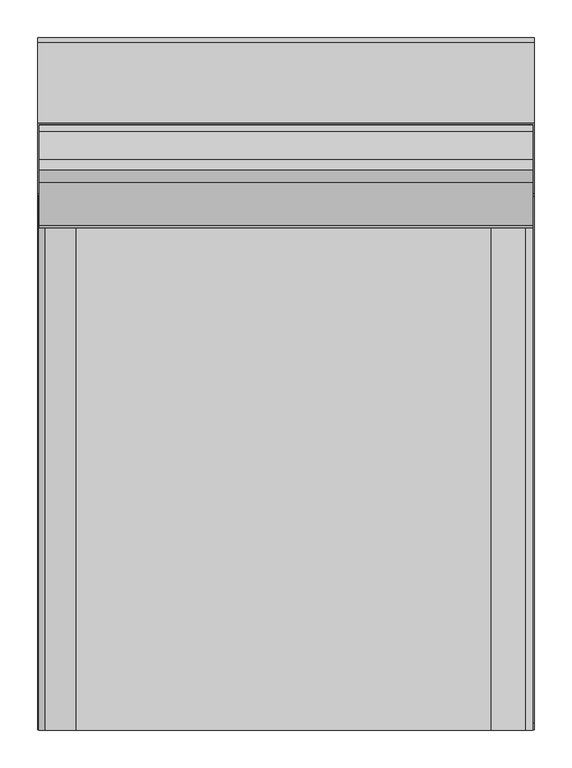
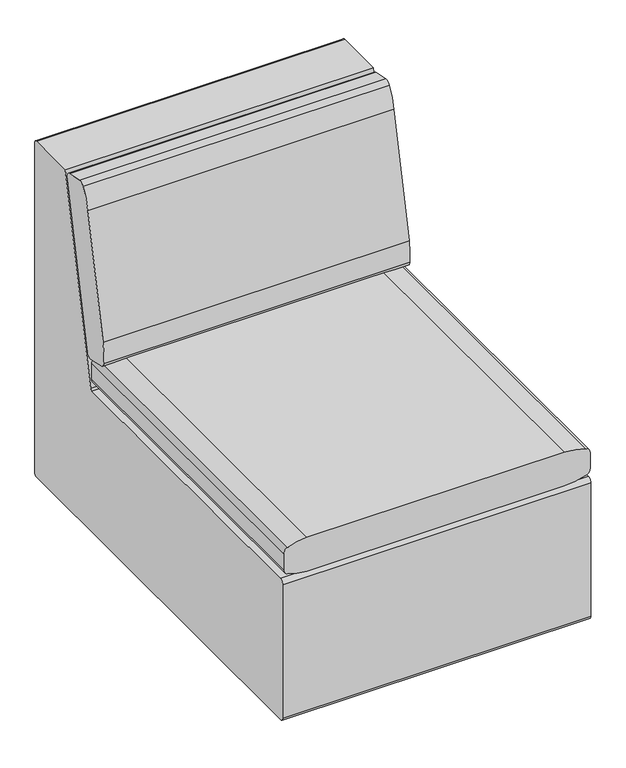
"""IFC4 building model written with IfcOpenShell, lengths in millimetres: furniture geometry."""

from ifc_helpers import new_model, si_unit, point, frame, frame_2d, origin, origin_with_axes, place, context, project, spatial, polyline, circle_curve, trimmed, segment, composite_curve, outline, extrude, source, transform, mapped, element, save


def furniture_5fcb1da9(model_context):
    return source(origin(), model_context, "Body", "SweptSolid", [
        extrude(outline(composite_curve([segment(polyline([(237.0308571, 415.6992556), (218.0272074, 419.7753864)]), True, "CONTINUOUS"), segment(trimmed(circle_curve(frame_2d((220.6340673, 431.9290325)), 12.4300777), [point((218.0272074, 419.7753864))], [point((208.2688547, 430.6608262))], False, "CARTESIAN"), True, "CONTINUOUS"), segment(trimmed(circle_curve(frame_2d((359.8735717, 446.2097741)), 152.4), [point((208.2688547, 430.6608262))], [point((210.8236441, 477.9883688))], False, "CARTESIAN"), True, "CONTINUOUS"), segment(polyline([(210.8236441, 477.9883688), (267.1304927, 742.0822281)]), True, "CONTINUOUS"), segment(trimmed(circle_curve(frame_2d((416.1804203, 710.3036334)), 152.4), [point((267.1304927, 742.0822281))], [point((284.3499346, 786.7659315))], False, "CARTESIAN"), True, "CONTINUOUS"), segment(trimmed(circle_curve(frame_2d((295.1023176, 780.529499)), 12.4300777), [point((284.3499346, 786.7659315))], [point((297.6866757, 792.6879498))], False, "CARTESIAN"), True, "CONTINUOUS"), segment(polyline([(297.6866757, 792.6879498), (334.9540995, 784.7665157)]), True, "CONTINUOUS"), segment(trimmed(circle_curve(frame_2d((332.3697415, 772.6080649)), 12.4300777), [point((334.9540995, 784.7665157))], [point((344.7291177, 773.9319421))], False, "CARTESIAN"), True, "CONTINUOUS"), segment(trimmed(circle_curve(frame_2d((193.195959, 757.7004356)), 152.4), [point((344.7291177, 773.9319421))], [point((342.2853644, 726.1075697))], False, "CARTESIAN"), True, "CONTINUOUS"), segment(polyline([(342.2853644, 726.1075697), (286.307599, 461.9437617)]), True, "CONTINUOUS"), segment(trimmed(circle_curve(frame_2d((137.2181936, 493.5366276)), 152.4), [point((286.307599, 461.9437617))], [point((269.3916726, 417.6687725))], False, "CARTESIAN"), True, "CONTINUOUS"), segment(trimmed(circle_curve(frame_2d((258.6113143, 423.8567208)), 12.4300777), [point((269.3916726, 417.6687725))], [point((256.049467, 411.6935071))], False, "CARTESIAN"), True, "CONTINUOUS"), segment(polyline([(256.049467, 411.6935071), (237.0308571, 415.6992556)]), True, "CONTINUOUS")], self_intersect=False)), frame((30.7911988, 0.0, 0.0), z_axis=(1.0, 0.0, 0.0), x_axis=(0.0, 1.0, 0.0)), (0.0, 0.0, 1.0), 656.1316801),
        extrude(outline(composite_curve([segment(trimmed(circle_curve(frame_2d((-8254.2759992, 352.0509027)), 8684.3760242), [point((425.6081739, 631.3315347))], [point((425.8381682, 80.0123557))], False, "CARTESIAN"), True, "CONTINUOUS"), segment(trimmed(circle_curve(frame_2d((298.9004934, 83.9906376)), 127.0), [point((425.8381682, 80.0123557))], [point((417.2646417, 37.9588182))], False, "CARTESIAN"), True, "CONTINUOUS"), segment(trimmed(circle_curve(frame_2d((405.4282269, 42.5620001)), 12.7), [point((417.2646417, 37.9588182))], [point((405.4282269, 29.8620001))], False, "CARTESIAN"), True, "CONTINUOUS"), segment(polyline([(405.4282269, 29.8620001), (369.428762, 29.8620001)]), True, "CONTINUOUS"), segment(trimmed(circle_curve(frame_2d((369.428762, 42.5620001)), 12.7), [point((369.428762, 29.8620001))], [point((357.5923471, 37.9588182))], False, "CARTESIAN"), True, "CONTINUOUS"), segment(trimmed(circle_curve(frame_2d((475.9564954, 83.9906376)), 127.0), [point((357.5923471, 37.9588182))], [point((349.0188207, 80.0123557))], False, "CARTESIAN"), True, "CONTINUOUS"), segment(trimmed(circle_curve(frame_2d((9029.1329881, 352.0509027)), 8684.3760242), [point((349.0188207, 80.0123557))], [point((349.2488149, 631.3315347))], False, "CARTESIAN"), True, "CONTINUOUS"), segment(trimmed(circle_curve(frame_2d((526.9568508, 625.6136689)), 177.8), [point((349.2488149, 631.3315347))], [point((357.0691869, 678.0638514))], False, "CARTESIAN"), True, "CONTINUOUS"), segment(trimmed(circle_curve(frame_2d((369.20402, 674.3174098)), 12.7), [point((357.0691869, 678.0638514))], [point((369.20402, 687.0174098))], False, "CARTESIAN"), True, "CONTINUOUS"), segment(polyline([(369.20402, 687.0174098), (405.6529688, 687.0174098)]), True, "CONTINUOUS"), segment(trimmed(circle_curve(frame_2d((405.6529688, 674.3174098)), 12.7), [point((405.6529688, 687.0174098))], [point((417.787802, 678.0638514))], False, "CARTESIAN"), True, "CONTINUOUS"), segment(trimmed(circle_curve(frame_2d((247.900138, 625.6136689)), 177.8), [point((417.787802, 678.0638514))], [point((425.6081739, 631.3315347))], False, "CARTESIAN"), True, "CONTINUOUS")], self_intersect=False)), frame((0.0, -460.9236442, 0.0), z_axis=(0.0, 1.0, 0.0), x_axis=(0.0, 0.0, 1.0)), (0.0, 0.0, 1.0), 711.99375),
        extrude(outline(polyline([(611.9812258, -308.2493524), (615.15625, -311.4243494), (615.15625, -355.8743524), (611.9812258, -359.0493494), (567.53125, -359.0493494), (564.3562258, -355.8743524), (564.3562258, -311.4243494), (567.53125, -308.2493524), (611.9812258, -308.2493524)])), frame((0.0, 0.0, 3.1750001), z_axis=(0.0, 0.0, 1.0), x_axis=(1.0, 0.0, 0.0)), (0.0, 0.0, 1.0), 22.2250007),
        extrude(outline(polyline([(615.15625, -305.0743463), (618.3312379, -308.2493524), (618.3312379, -359.0493494), (615.15625, -362.2243554), (564.3562258, -362.2243554), (561.1812379, -359.0493494), (561.1812379, -308.2493524), (564.3562258, -305.0743463), (615.15625, -305.0743463)])), origin_with_axes(), (0.0, 0.0, 1.0), 3.1750001),
        extrude(outline(polyline([(205.5812409, -308.2493524), (208.7562651, -311.4243494), (208.7562651, -355.8743524), (205.5812409, -359.0493494), (161.1312651, -359.0493494), (157.9562409, -355.8743524), (157.9562409, -311.4243494), (161.1312651, -308.2493524), (205.5812409, -308.2493524)])), frame((0.0, 0.0, 3.1750001), z_axis=(0.0, 0.0, 1.0), x_axis=(1.0, 0.0, 0.0)), (0.0, 0.0, 1.0), 22.2250007),
        extrude(outline(polyline([(208.7562651, -305.0743463), (211.931253, -308.2493524), (211.931253, -359.0493494), (208.7562651, -362.2243554), (157.9562409, -362.2243554), (154.781253, -359.0493494), (154.781253, -308.2493524), (157.9562409, -305.0743463), (208.7562651, -305.0743463)])), origin_with_axes(), (0.0, 0.0, 1.0), 3.1750001),
        extrude(outline(polyline([(205.5812409, 358.5006749), (208.7562651, 355.3256779), (208.7562651, 310.8756749), (205.5812409, 307.7006779), (161.1312651, 307.7006779), (157.9562409, 310.8756749), (157.9562409, 355.3256779), (161.1312651, 358.5006749), (205.5812409, 358.5006749)])), frame((0.0, 0.0, 3.1750001), z_axis=(0.0, 0.0, 1.0), x_axis=(1.0, 0.0, 0.0)), (0.0, 0.0, 1.0), 22.2250007),
        extrude(outline(polyline([(208.7562651, 361.6756809), (211.931253, 358.5006749), (211.931253, 307.7006779), (208.7562651, 304.5256718), (157.9562409, 304.5256718), (154.781253, 307.7006779), (154.781253, 358.5006749), (157.9562409, 361.6756809), (208.7562651, 361.6756809)])), origin_with_axes(), (0.0, 0.0, 1.0), 3.1750001),
        extrude(outline(polyline([(611.9812258, 358.5006749), (615.15625, 355.3256779), (615.15625, 310.8756749), (611.9812258, 307.7006779), (567.53125, 307.7006779), (564.3562258, 310.8756749), (564.3562258, 355.3256779), (567.53125, 358.5006749), (611.9812258, 358.5006749)])), frame((0.0, 0.0, 3.1750001), z_axis=(0.0, 0.0, 1.0), x_axis=(1.0, 0.0, 0.0)), (0.0, 0.0, 1.0), 22.2250007),
        extrude(outline(polyline([(615.15625, 361.6756809), (618.3312379, 358.5006749), (618.3312379, 307.7006779), (615.15625, 304.5256718), (564.3562258, 304.5256718), (561.1812379, 307.7006779), (561.1812379, 358.5006749), (564.3562258, 361.6756809), (615.15625, 361.6756809)])), origin_with_axes(), (0.0, 0.0, 1.0), 3.1750001),
        extrude(outline(composite_curve([segment(trimmed(circle_curve(frame_2d((248.4922796, 349.8935536)), 4.8013546), [point((248.4922796, 345.092199))], [point((253.1864451, 348.8846847))], True, "CARTESIAN"), True, "CONTINUOUS"), segment(polyline([(253.1864451, 348.8846847), (347.432053, 787.4), (454.025, 787.4)]), True, "CONTINUOUS"), segment(trimmed(circle_curve(frame_2d((454.025, 781.05)), 6.35), [point((454.025, 787.4))], [point((460.375, 781.05))], False, "CARTESIAN"), True, "CONTINUOUS"), segment(polyline([(460.375, 781.05), (460.375, 30.6404917)]), True, "CONTINUOUS"), segment(trimmed(circle_curve(frame_2d((455.1345091, 30.6404917)), 5.2404909), [point((460.375, 30.6404917))], [point((455.1345091, 25.4000008))], False, "CARTESIAN"), True, "CONTINUOUS"), segment(polyline([(455.1345091, 25.4000008), (-452.6230719, 25.4000008)]), True, "CONTINUOUS"), segment(trimmed(circle_curve(frame_2d((-452.6230719, 33.1519289)), 7.7519281), [point((-452.6230719, 25.4000008))], [point((-460.375, 33.1519289))], False, "CARTESIAN"), True, "CONTINUOUS"), segment(polyline([(-460.375, 33.1519289), (-460.375, 335.5036708)]), True, "CONTINUOUS"), segment(trimmed(circle_curve(frame_2d((-450.7864717, 335.5036708)), 9.5885283), [point((-460.375, 335.5036708))], [point((-450.7864717, 345.092199))], False, "CARTESIAN"), True, "CONTINUOUS"), segment(polyline([(-450.7864717, 345.092199), (248.4922796, 345.092199)]), True, "CONTINUOUS")], self_intersect=False)), frame((28.575, 0.0, 0.0), z_axis=(1.0, 0.0, 0.0), x_axis=(0.0, 1.0, 0.0)), (0.0, 0.0, 1.0), 660.4),
    ])


if __name__ == "__main__":
    model = new_model("IFC4")
    model_context = context("Model", 3, world=origin())
    ifc_project = project(units=[si_unit("LENGTHUNIT", "METRE", prefix="MILLI")], contexts=[model_context])
    site = spatial("IfcSite", under=ifc_project)
    building = spatial("IfcBuilding", under=site)
    placement = place(None, origin())
    furniture_shape = furniture_5fcb1da9(model_context)
    element("IfcFurniture", 1, at=placement, inside=building, context=model_context, shape_type="MappedRepresentation", body=[
        mapped(furniture_shape, transform((0.0, 0.0, 0.0), x_axis=(1.0, 0.0, 0.0), y_axis=(0.0, 1.0, 0.0), z_axis=(0.0, 0.0, 1.0))),
    ])
    save(model, "model.ifc")
